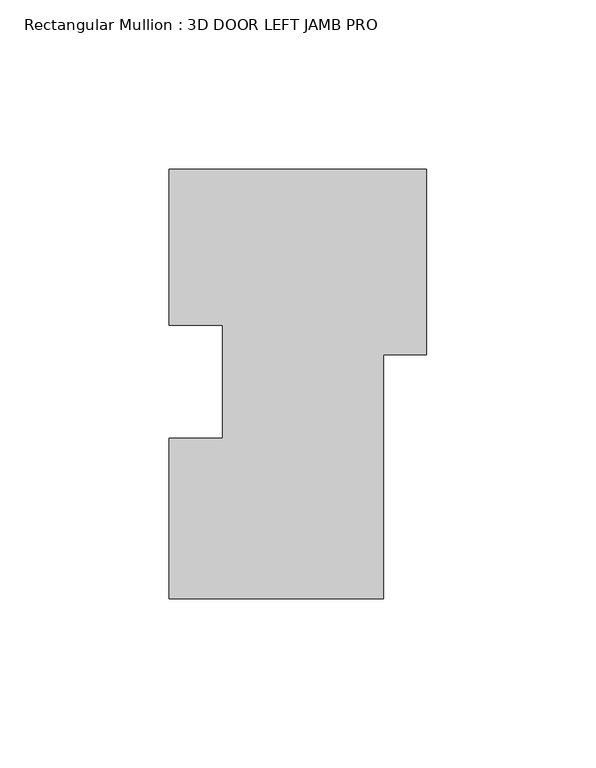
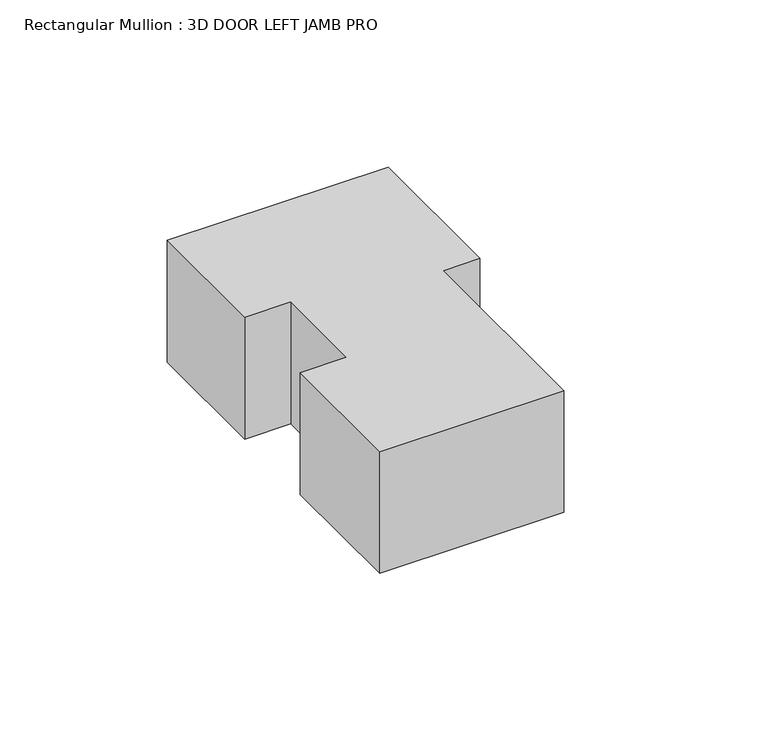
"""IFC4 building model written with IfcOpenShell, lengths in millimetres: member geometry, Rectangular Mullion : 3D DOOR LEFT JAMB PRO."""

from ifc_helpers import new_model, si_unit, frame, origin, place, context, project, spatial, polyline, outline, extrude, source, transform, mapped, element, save


def rectangular_mullion_3d_door_left_jamb_pro_9147d7dd(model_context):
    return source(origin(), model_context, "Body", "SweptSolid", [
        extrude(outline(polyline([(-31.75, -63.4111), (-31.75, -15.9570314), (-15.875, -15.9570314), (-15.875, 17.40599), (-31.75, 17.40599), (-31.75, 63.5889), (44.45, 63.5889), (44.45, 8.801227), (31.75, 8.801227), (31.75, -63.4111), (-31.75, -63.4111)])), frame((0.0, 0.0, -44.45), z_axis=(0.0, 0.0, 1.0), x_axis=(1.0, 0.0, 0.0)), (0.0, 0.0, 1.0), 44.45),
    ])


if __name__ == "__main__":
    model = new_model("IFC4")
    model_context = context("Model", 3, world=origin())
    ifc_project = project(units=[si_unit("LENGTHUNIT", "METRE", prefix="MILLI")], contexts=[model_context])
    site = spatial("IfcSite", under=ifc_project)
    building = spatial("IfcBuilding", under=site)
    placement = place(None, origin())
    rectangular_mullion_3d_door_left_jamb_pro_shape = rectangular_mullion_3d_door_left_jamb_pro_9147d7dd(model_context)
    element("IfcMember", 1, ObjectType="Rectangular Mullion : 3D DOOR LEFT JAMB PRO", at=placement, inside=building, context=model_context, shape_type="MappedRepresentation", body=[
        mapped(rectangular_mullion_3d_door_left_jamb_pro_shape, transform((0.0, 0.0, 0.0), x_axis=(1.0, 0.0, 0.0), y_axis=(0.0, 1.0, 0.0), z_axis=(0.0, 0.0, 1.0))),
    ])
    save(model, "model.ifc")
